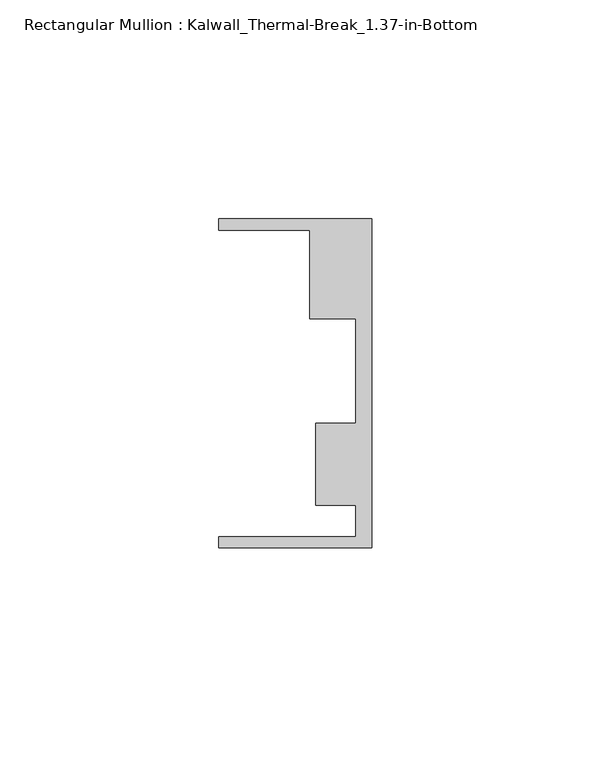
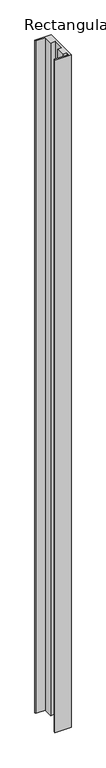
"""IFC4 building model written with IfcOpenShell, lengths in millimetres: member geometry, Rectangular Mullion : Kalwall_Thermal-Break_1.37-in-Bottom."""

from ifc_helpers import new_model, si_unit, frame, origin, place, context, project, spatial, polyline, outline, extrude, source, transform, mapped, element, save


def rectangular_mullion_kalwall_thermal_break_1_37_in_bottom_838e7632(model_context):
    return source(origin(), model_context, "Body", "SweptSolid", [
        extrude(outline(polyline([(0.0, -37.5776386), (-34.925, -37.5776386), (-34.925, -35.0376386), (-3.7084, -35.0376386), (-3.7084, -27.8888568), (-12.8272539, -27.8888568), (-12.8272539, -9.1879886), (-3.7084, -9.1879886), (-3.7084, 14.7812677), (-14.1882812, 14.7812677), (-14.1882812, 34.9623614), (-34.925, 34.9623614), (-34.925, 37.5023614), (0.0, 37.5023614), (0.0, -37.5776386)])), frame((0.0, 0.0, -1540.9129997), z_axis=(0.0, 0.0, 1.0), x_axis=(1.0, 0.0, 0.0)), (0.0, 0.0, 1.0), 1540.9129997),
    ])


if __name__ == "__main__":
    model = new_model("IFC4")
    model_context = context("Model", 3, world=origin())
    ifc_project = project(units=[si_unit("LENGTHUNIT", "METRE", prefix="MILLI")], contexts=[model_context])
    site = spatial("IfcSite", under=ifc_project)
    building = spatial("IfcBuilding", under=site)
    placement = place(None, origin())
    rectangular_mullion_kalwall_thermal_break_1_37_in_bottom_shape = rectangular_mullion_kalwall_thermal_break_1_37_in_bottom_838e7632(model_context)
    element("IfcMember", 1, ObjectType="Rectangular Mullion : Kalwall_Thermal-Break_1.37-in-Bottom", at=placement, inside=building, context=model_context, shape_type="MappedRepresentation", body=[
        mapped(rectangular_mullion_kalwall_thermal_break_1_37_in_bottom_shape, transform((0.0, 0.0, 0.0), x_axis=(1.0, 0.0, 0.0), y_axis=(0.0, 1.0, 0.0), z_axis=(0.0, 0.0, 1.0))),
    ])
    save(model, "model.ifc")
